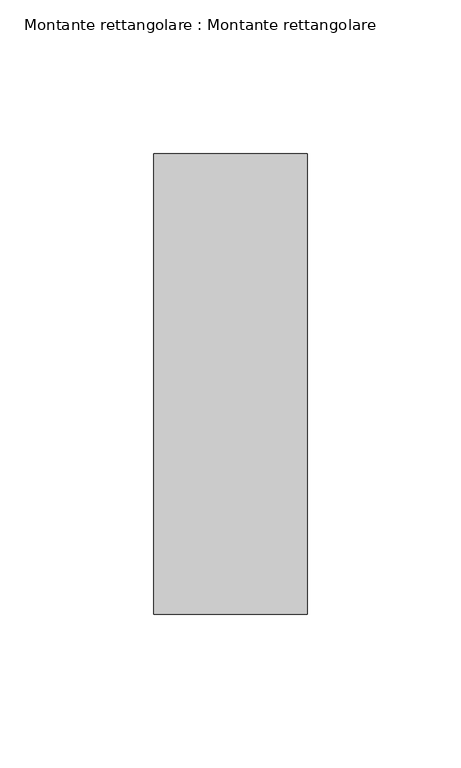
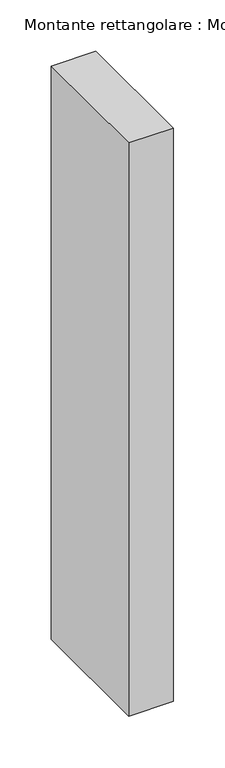
"""IFC4 building model written with IfcOpenShell, lengths in millimetres: member geometry, Montante rettangolare : Montante rettangolare."""

from ifc_helpers import new_model, si_unit, frame, origin, place, context, project, spatial, polyline, outline, extrude, source, transform, mapped, element, save


def montante_rettangolare_montante_rettangolare_142b0d12(model_context):
    return source(origin(), model_context, "Body", "SweptSolid", [
        extrude(outline(polyline([(25.0, 75.0), (25.0, -75.0), (-25.0, -75.0), (-25.0, 75.0), (25.0, 75.0)])), frame((0.0, 0.0, -681.0), z_axis=(0.0, 0.0, 1.0), x_axis=(1.0, 0.0, 0.0)), (0.0, 0.0, 1.0), 681.0),
    ])


if __name__ == "__main__":
    model = new_model("IFC4")
    model_context = context("Model", 3, world=origin())
    ifc_project = project(units=[si_unit("LENGTHUNIT", "METRE", prefix="MILLI")], contexts=[model_context])
    site = spatial("IfcSite", under=ifc_project)
    building = spatial("IfcBuilding", under=site)
    placement = place(None, origin())
    montante_rettangolare_montante_rettangolare_shape = montante_rettangolare_montante_rettangolare_142b0d12(model_context)
    element("IfcMember", 1, ObjectType="Montante rettangolare : Montante rettangolare", at=placement, inside=building, context=model_context, shape_type="MappedRepresentation", body=[
        mapped(montante_rettangolare_montante_rettangolare_shape, transform((0.0, 0.0, 0.0), x_axis=(1.0, 0.0, 0.0), y_axis=(0.0, 1.0, 0.0), z_axis=(0.0, 0.0, 1.0))),
    ])
    save(model, "model.ifc")
